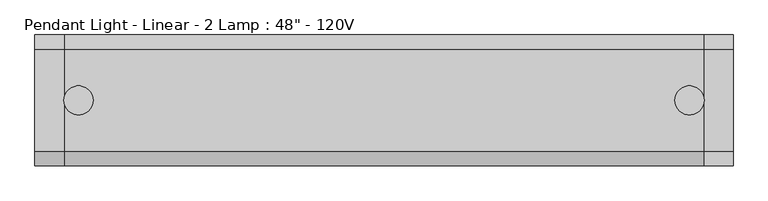
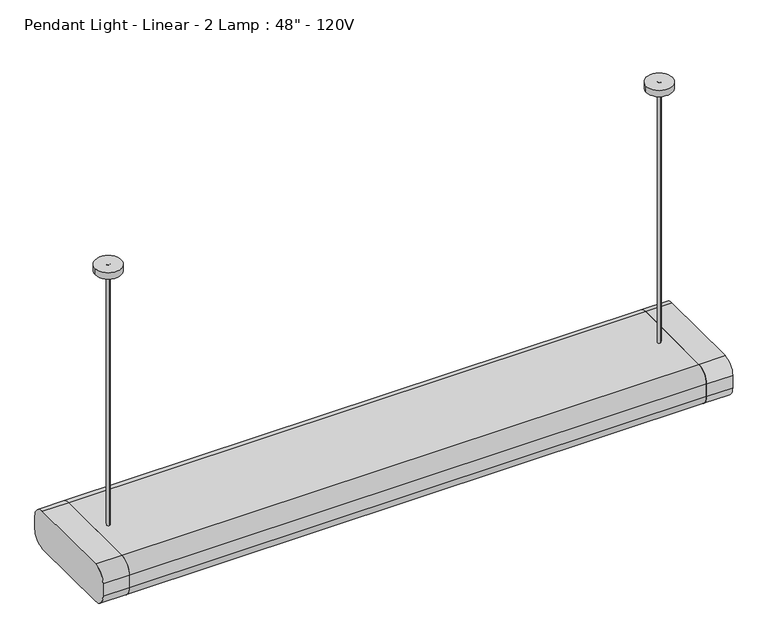
"""IFC4 building model written with IfcOpenShell, lengths in millimetres: light fixture geometry."""

from ifc_helpers import new_model, si_unit, point, frame, frame_2d, origin, place, context, project, spatial, polyline, circle_curve, trimmed, segment, composite_curve, outline, extrude, source, transform, mapped, element, save


def light_fixture_44c92628(model_context):
    return source(origin(), model_context, "Body", "SweptSolid", [
        extrude(outline(composite_curve([segment(trimmed(circle_curve(frame_2d((88.9, 1879.6)), 25.4), [point((88.9, 1905.0))], [point((114.3, 1879.6))], False, "CARTESIAN"), True, "CONTINUOUS"), segment(polyline([(114.3, 1879.6), (114.3, 1854.2)]), True, "CONTINUOUS"), segment(trimmed(circle_curve(frame_2d((88.9, 1854.2)), 25.4), [point((114.3, 1854.2))], [point((88.9, 1828.8))], False, "CARTESIAN"), True, "CONTINUOUS"), segment(polyline([(88.9, 1828.8), (-88.9, 1828.8)]), True, "CONTINUOUS"), segment(trimmed(circle_curve(frame_2d((-88.9, 1854.2)), 25.4), [point((-88.9, 1828.8))], [point((-114.3, 1854.2))], False, "CARTESIAN"), True, "CONTINUOUS"), segment(polyline([(-114.3, 1854.2), (-114.3, 1879.6)]), True, "CONTINUOUS"), segment(trimmed(circle_curve(frame_2d((-88.9, 1879.6)), 25.4), [point((-114.3, 1879.6))], [point((-88.9, 1905.0))], False, "CARTESIAN"), True, "CONTINUOUS"), segment(polyline([(-88.9, 1905.0), (88.9, 1905.0)]), True, "CONTINUOUS")], self_intersect=False)), frame((558.8, 0.0, 0.0), z_axis=(1.0, 0.0, 0.0), x_axis=(0.0, 1.0, 0.0)), (0.0, 0.0, 1.0), 50.8),
        extrude(outline(composite_curve([segment(polyline([(-88.9, 1905.0), (88.9, 1905.0)]), True, "CONTINUOUS"), segment(trimmed(circle_curve(frame_2d((88.9, 1879.6)), 25.4), [point((88.9, 1905.0))], [point((114.3, 1879.6))], False, "CARTESIAN"), True, "CONTINUOUS"), segment(polyline([(114.3, 1879.6), (114.3, 1854.2)]), True, "CONTINUOUS"), segment(trimmed(circle_curve(frame_2d((88.9, 1854.2)), 25.4), [point((114.3, 1854.2))], [point((88.9, 1828.8))], False, "CARTESIAN"), True, "CONTINUOUS"), segment(polyline([(88.9, 1828.8), (-88.9, 1828.8)]), True, "CONTINUOUS"), segment(trimmed(circle_curve(frame_2d((-88.9, 1854.2)), 25.4), [point((-88.9, 1828.8))], [point((-114.3, 1854.2))], False, "CARTESIAN"), True, "CONTINUOUS"), segment(polyline([(-114.3, 1854.2), (-114.3, 1879.6)]), True, "CONTINUOUS"), segment(trimmed(circle_curve(frame_2d((-88.9, 1879.6)), 25.4), [point((-114.3, 1879.6))], [point((-88.9, 1905.0))], False, "CARTESIAN"), True, "CONTINUOUS")], self_intersect=False)), frame((-609.6, 0.0, 0.0), z_axis=(1.0, 0.0, 0.0), x_axis=(0.0, 1.0, 0.0)), (0.0, 0.0, 1.0), 50.8),
        extrude(outline(polyline([(558.8, 63.5), (558.8, -63.5), (-558.8, -63.5), (-558.8, 63.5), (558.8, 63.5)])), frame((0.0, 0.0, 1828.8), z_axis=(0.0, 0.0, 1.0), x_axis=(1.0, 0.0, 0.0)), (0.0, 0.0, 1.0), 12.7),
        extrude(outline(composite_curve([segment(trimmed(circle_curve(frame_2d((-533.4883785, 0.0)), 25.4), [point((-558.8883785, 0.0))], [point((-508.0883785, 0.0))], False, "CARTESIAN"), True, "CONTINUOUS"), segment(trimmed(circle_curve(frame_2d((-533.4883785, 0.0)), 25.4), [point((-508.0883785, 0.0))], [point((-558.8883785, 0.0))], False, "CARTESIAN"), True, "CONTINUOUS")], self_intersect=False)), frame((0.0, 0.0, 2425.7), z_axis=(0.0, 0.0, 1.0), x_axis=(1.0, 0.0, 0.0)), (0.0, 0.0, 1.0), 12.7),
        extrude(outline(composite_curve([segment(trimmed(circle_curve(frame_2d((533.4, 0.0)), 25.4), [point((508.0, 0.0))], [point((558.8, 0.0))], False, "CARTESIAN"), True, "CONTINUOUS"), segment(trimmed(circle_curve(frame_2d((533.4, 0.0)), 25.4), [point((558.8, 0.0))], [point((508.0, 0.0))], False, "CARTESIAN"), True, "CONTINUOUS")], self_intersect=False)), frame((0.0, 0.0, 2425.7), z_axis=(0.0, 0.0, 1.0), x_axis=(1.0, 0.0, 0.0)), (0.0, 0.0, 1.0), 12.7),
        extrude(outline(composite_curve([segment(trimmed(circle_curve(frame_2d((-533.4, 0.0)), 3.175), [point((-533.4, 3.175))], [point((-533.4, -3.175))], False, "CARTESIAN"), True, "CONTINUOUS"), segment(trimmed(circle_curve(frame_2d((-533.4, 0.0)), 3.175), [point((-533.4, -3.175))], [point((-533.4, 3.175))], False, "CARTESIAN"), True, "CONTINUOUS")], self_intersect=False)), frame((0.0, 0.0, 1905.0), z_axis=(0.0, 0.0, 1.0), x_axis=(1.0, 0.0, 0.0)), (0.0, 0.0, 1.0), 533.4),
        extrude(outline(composite_curve([segment(trimmed(circle_curve(frame_2d((533.4, 0.0)), 3.175), [point((533.4, 3.175))], [point((533.4, -3.175))], False, "CARTESIAN"), True, "CONTINUOUS"), segment(trimmed(circle_curve(frame_2d((533.4, 0.0)), 3.175), [point((533.4, -3.175))], [point((533.4, 3.175))], False, "CARTESIAN"), True, "CONTINUOUS")], self_intersect=False)), frame((0.0, 0.0, 1905.0), z_axis=(0.0, 0.0, 1.0), x_axis=(1.0, 0.0, 0.0)), (0.0, 0.0, 1.0), 533.4),
        extrude(outline(composite_curve([segment(polyline([(-88.9, 1905.0), (88.9, 1905.0)]), True, "CONTINUOUS"), segment(trimmed(circle_curve(frame_2d((88.9, 1879.6)), 25.4), [point((88.9, 1905.0))], [point((114.3, 1879.6))], False, "CARTESIAN"), True, "CONTINUOUS"), segment(polyline([(114.3, 1879.6), (114.3, 1854.2)]), True, "CONTINUOUS"), segment(trimmed(circle_curve(frame_2d((88.9, 1854.2)), 25.4), [point((114.3, 1854.2))], [point((88.9, 1828.8))], False, "CARTESIAN"), True, "CONTINUOUS"), segment(polyline([(88.9, 1828.8), (63.5, 1828.8), (63.5, 1854.2), (-63.5, 1854.2), (-63.5, 1828.8), (-88.9, 1828.8)]), True, "CONTINUOUS"), segment(trimmed(circle_curve(frame_2d((-88.9, 1854.2)), 25.4), [point((-88.9, 1828.8))], [point((-114.3, 1854.2))], False, "CARTESIAN"), True, "CONTINUOUS"), segment(polyline([(-114.3, 1854.2), (-114.3, 1879.6)]), True, "CONTINUOUS"), segment(trimmed(circle_curve(frame_2d((-88.9, 1879.6)), 25.4), [point((-114.3, 1879.6))], [point((-88.9, 1905.0))], False, "CARTESIAN"), True, "CONTINUOUS")], self_intersect=False)), frame((-558.8, 0.0, 0.0), z_axis=(1.0, 0.0, 0.0), x_axis=(0.0, 1.0, 0.0)), (0.0, 0.0, 1.0), 1117.6),
    ])


if __name__ == "__main__":
    model = new_model("IFC4")
    model_context = context("Model", 3, world=origin())
    ifc_project = project(units=[si_unit("LENGTHUNIT", "METRE", prefix="MILLI")], contexts=[model_context])
    site = spatial("IfcSite", under=ifc_project)
    building = spatial("IfcBuilding", under=site)
    placement = place(None, origin())
    light_fixture_shape = light_fixture_44c92628(model_context)
    element("IfcLightFixture", 1, ObjectType="Pendant Light - Linear - 2 Lamp : 48\" - 120V", at=placement, inside=building, context=model_context, shape_type="MappedRepresentation", body=[
        mapped(light_fixture_shape, transform((0.0, 0.0, 0.0), x_axis=(1.0, 0.0, 0.0), y_axis=(0.0, 1.0, 0.0), z_axis=(0.0, 0.0, 1.0))),
    ])
    save(model, "model.ifc")
